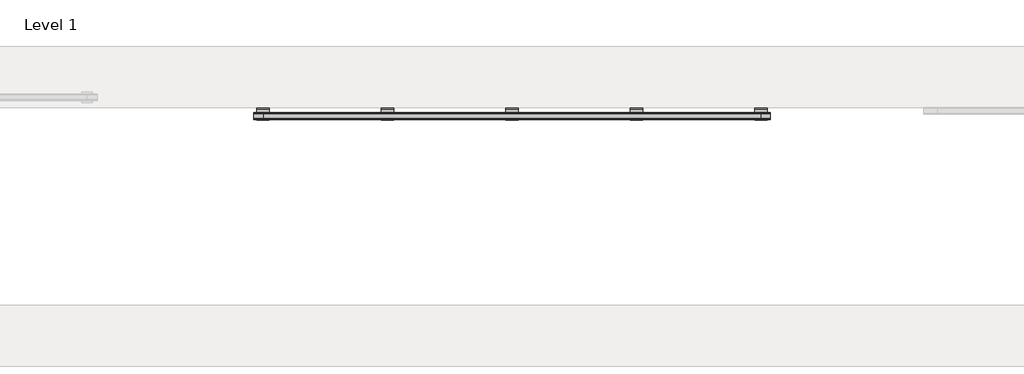
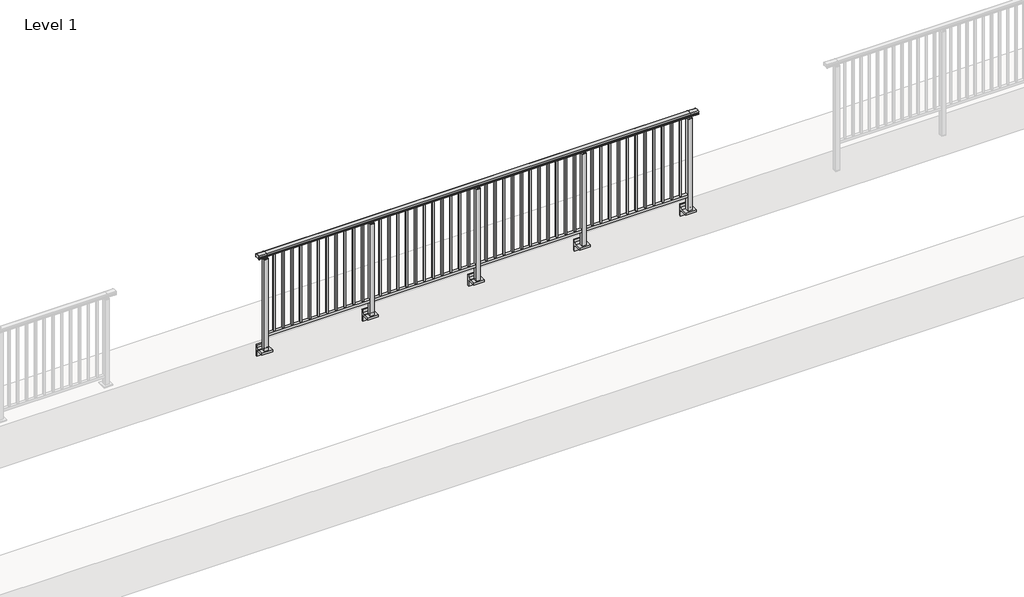
# One storey, part 28 of 64: 1 railing.
"""IFC4 building model written with IfcOpenShell, lengths in millimetres."""

from ifc_helpers import new_model, si_unit, point, frame, frame_2d, origin, place, context, project, spatial, polyline, circle_curve, trimmed, segment, composite_curve, outline, extrude, element, save
from ifc_brep_helpers import plane_surface, cylinder_surface, revolved_surface, advanced_brep

model = new_model("IFC4")

# Units and contexts
model_context = context("Model", 3, world=origin())
ifc_project = project(units=[si_unit("LENGTHUNIT", "METRE", prefix="MILLI")], contexts=[model_context])

# Site, building, storey
site = spatial("IfcSite", under=ifc_project)
building = spatial("IfcBuilding", under=site)
storey = spatial("IfcBuildingStorey", under=building, Name="Level 1", Elevation=0.0)

# Railing
placement = place(None, origin())
element("IfcRailing", 1, at=placement, inside=storey, context=model_context, shape_type="SolidModel", body=[
    advanced_brep(
    [(12910.0, 17342.8633756, 1095.6691182), (12910.0, 17347.6846828, 1081.1334092), (12910.0, 17346.7413744, 1069.2539035), (12910.0, 17348.6364177, 1061.4863007), (12910.0, 17346.9894799, 1060.384124), (12910.0, 17346.9894799, 1062.0), (12910.0, 17288.3798858, 1062.0), (12910.0, 17288.3798858, 1060.384124), (12910.0, 17286.732948, 1061.4863007), (12910.0, 17288.6279912, 1069.2539035), (12910.0, 17287.6846828, 1081.1334092), (12910.0, 17292.50599, 1095.6691182), (17890.0, 17342.8633756, 1095.6691182), (17890.0, 17292.50599, 1095.6691182), (17890.0, 17287.6846828, 1081.1334092), (17890.0, 17288.6279912, 1069.2539035), (17890.0, 17286.732948, 1061.4863007), (17890.0, 17288.3798858, 1060.384124), (17890.0, 17288.3798858, 1062.0), (17890.0, 17346.9894799, 1062.0), (17890.0, 17346.9894799, 1060.384124), (17890.0, 17348.6364177, 1061.4863007), (17890.0, 17346.7413744, 1069.2539035), (17890.0, 17347.6846828, 1081.1334092), (13000.0, 17342.8633756, 1095.6691182), (13000.0, 17347.6846828, 1081.1334092), (13000.0, 17346.7413744, 1069.2539035), (13000.0, 17348.6364177, 1061.4863007), (13000.0, 17346.9894799, 1060.384124), (13000.0, 17346.9894799, 1062.0), (13000.0, 17288.3798858, 1062.0), (13000.0, 17288.3798858, 1060.384124), (13000.0, 17286.732948, 1061.4863007), (13000.0, 17288.6279912, 1069.2539035), (13000.0, 17287.6846828, 1081.1334092), (13000.0, 17292.50599, 1095.6691182), (17800.0, 17342.8633756, 1095.6691182), (17800.0, 17347.6846828, 1081.1334092), (17800.0, 17346.7413744, 1069.2539035), (17800.0, 17348.6364177, 1061.4863007), (17800.0, 17346.9894799, 1060.384124), (17800.0, 17346.9894799, 1062.0), (17800.0, 17288.3798858, 1062.0), (17800.0, 17288.3798858, 1060.384124), (17800.0, 17286.732948, 1061.4863007), (17800.0, 17288.6279912, 1069.2539035), (17800.0, 17287.6846828, 1081.1334092), (17800.0, 17292.50599, 1095.6691182)],
    [
        (0, 1, circle_curve(frame((12910.0, 17339.6223845, 1086.526686), z_axis=(-1.0, 0.0, 0.0), x_axis=(0.0, -1.0, 0.0)), 9.6999015)),
        (1, 2, circle_curve(frame((12910.0, 17365.2252545, 1073.7633709), z_axis=(1.0, 0.0, 0.0), x_axis=(0.0, -1.0, 0.0)), 19.0260117)),
        (2, 3),
        (3, 4, circle_curve(frame((12910.0, 17347.7772073, 1060.9886194), z_axis=(-1.0, 0.0, 0.0), x_axis=(0.0, -1.0, 0.0)), 0.9929396)),
        (4, 5),
        (5, 6),
        (6, 7),
        (7, 8, circle_curve(frame((12910.0, 17287.5921584, 1060.9886194), z_axis=(-1.0, 0.0, 0.0), x_axis=(0.0, 1.0, 0.0)), 0.9929396)),
        (8, 9),
        (9, 10, circle_curve(frame((12910.0, 17270.1441111, 1073.7633709), z_axis=(1.0, 0.0, 0.0), x_axis=(0.0, 1.0, 0.0)), 19.0260117)),
        (10, 11, circle_curve(frame((12910.0, 17295.7469812, 1086.526686), z_axis=(-1.0, 0.0, 0.0), x_axis=(0.0, 1.0, 0.0)), 9.6999015)),
        (11, 0, circle_curve(frame((12910.0, 17317.6846828, 1024.6431628), z_axis=(-1.0, 0.0, 0.0), x_axis=(0.0, 1.0, 0.0)), 75.3568372)),
        (12, 13, circle_curve(frame((17890.0, 17317.6846828, 1024.6431628), z_axis=(1.0, 0.0, 0.0), x_axis=(0.0, 1.0, 0.0)), 75.3568372)),
        (13, 14, circle_curve(frame((17890.0, 17295.7469812, 1086.526686), z_axis=(1.0, 0.0, 0.0), x_axis=(0.0, 1.0, 0.0)), 9.6999015)),
        (14, 15, circle_curve(frame((17890.0, 17270.1441111, 1073.7633709), z_axis=(-1.0, 0.0, 0.0), x_axis=(0.0, 1.0, 0.0)), 19.0260117)),
        (15, 16),
        (16, 17, circle_curve(frame((17890.0, 17287.5921584, 1060.9886194), z_axis=(1.0, 0.0, 0.0), x_axis=(0.0, 1.0, 0.0)), 0.9929396)),
        (17, 18),
        (18, 19),
        (19, 20),
        (20, 21, circle_curve(frame((17890.0, 17347.7772073, 1060.9886194), z_axis=(1.0, 0.0, 0.0), x_axis=(0.0, -1.0, 0.0)), 0.9929396)),
        (21, 22),
        (22, 23, circle_curve(frame((17890.0, 17365.2252545, 1073.7633709), z_axis=(-1.0, 0.0, 0.0), x_axis=(0.0, -1.0, 0.0)), 19.0260117)),
        (23, 12, circle_curve(frame((17890.0, 17339.6223845, 1086.526686), z_axis=(1.0, 0.0, 0.0), x_axis=(0.0, -1.0, 0.0)), 9.6999015)),
        (0, 24),
        (24, 25, circle_curve(frame((13000.0, 17339.6223845, 1086.526686), z_axis=(-1.0, 0.0, 0.0), x_axis=(0.0, -1.0, 0.0)), 9.6999015)),
        (25, 1),
        (25, 26, circle_curve(frame((13000.0, 17365.2252545, 1073.7633709), z_axis=(1.0, 0.0, 0.0), x_axis=(0.0, -1.0, 0.0)), 19.0260117)),
        (26, 2),
        (26, 27),
        (27, 3),
        (27, 28, circle_curve(frame((13000.0, 17347.7772073, 1060.9886194), z_axis=(-1.0, 0.0, 0.0), x_axis=(0.0, -1.0, 0.0)), 0.9929396)),
        (28, 4),
        (28, 29),
        (29, 5),
        (29, 30),
        (30, 6),
        (30, 31),
        (31, 7),
        (31, 32, circle_curve(frame((13000.0, 17287.5921584, 1060.9886194), z_axis=(-1.0, 0.0, 0.0), x_axis=(0.0, 1.0, 0.0)), 0.9929396)),
        (32, 8),
        (32, 33),
        (33, 9),
        (33, 34, circle_curve(frame((13000.0, 17270.1441111, 1073.7633709), z_axis=(1.0, 0.0, 0.0), x_axis=(0.0, 1.0, 0.0)), 19.0260117)),
        (34, 10),
        (34, 35, circle_curve(frame((13000.0, 17295.7469812, 1086.526686), z_axis=(-1.0, 0.0, 0.0), x_axis=(0.0, 1.0, 0.0)), 9.6999015)),
        (35, 11),
        (35, 24, circle_curve(frame((13000.0, 17317.6846828, 1024.6431628), z_axis=(-1.0, 0.0, 0.0), x_axis=(0.0, 1.0, 0.0)), 75.3568372)),
        (24, 36),
        (36, 37, circle_curve(frame((17800.0, 17339.6223845, 1086.526686), z_axis=(-1.0, 0.0, 0.0), x_axis=(0.0, -1.0, 0.0)), 9.6999015)),
        (37, 25),
        (37, 38, circle_curve(frame((17800.0, 17365.2252545, 1073.7633709), z_axis=(1.0, 0.0, 0.0), x_axis=(0.0, -1.0, 0.0)), 19.0260117)),
        (38, 26),
        (38, 39),
        (39, 27),
        (39, 40, circle_curve(frame((17800.0, 17347.7772073, 1060.9886194), z_axis=(-1.0, 0.0, 0.0), x_axis=(0.0, -1.0, 0.0)), 0.9929396)),
        (40, 28),
        (40, 41),
        (41, 29),
        (41, 42),
        (42, 30),
        (42, 43),
        (43, 31),
        (43, 44, circle_curve(frame((17800.0, 17287.5921584, 1060.9886194), z_axis=(-1.0, 0.0, 0.0), x_axis=(0.0, 1.0, 0.0)), 0.9929396)),
        (44, 32),
        (44, 45),
        (45, 33),
        (45, 46, circle_curve(frame((17800.0, 17270.1441111, 1073.7633709), z_axis=(1.0, 0.0, 0.0), x_axis=(0.0, 1.0, 0.0)), 19.0260117)),
        (46, 34),
        (46, 47, circle_curve(frame((17800.0, 17295.7469812, 1086.526686), z_axis=(-1.0, 0.0, 0.0), x_axis=(0.0, 1.0, 0.0)), 9.6999015)),
        (47, 35),
        (47, 36, circle_curve(frame((17800.0, 17317.6846828, 1024.6431628), z_axis=(-1.0, 0.0, 0.0), x_axis=(0.0, 1.0, 0.0)), 75.3568372)),
        (36, 12),
        (23, 37),
        (22, 38),
        (21, 39),
        (20, 40),
        (19, 41),
        (18, 42),
        (17, 43),
        (16, 44),
        (15, 45),
        (14, 46),
        (13, 47),
    ],
    [
        plane_surface(frame((12910.0, 17317.6846828, 1100.0), z_axis=(-1.0, 0.0, 0.0), x_axis=(0.0, 1.0, 0.0))),
        plane_surface(frame((17890.0, 17317.6846828, 1100.0), z_axis=(1.0, 0.0, 0.0), x_axis=(0.0, 1.0, 0.0))),
        cylinder_surface(frame((12910.0, 17339.6223845, 1086.526686), z_axis=(-1.0, 0.0, 0.0), x_axis=(0.0, -1.0, 0.0)), 9.6999015),
        revolved_surface(polyline([(13000.0, 17346.1992428, 1073.7633709), (12910.0, 17346.1992428, 1073.7633709)]), (12910.0, 17365.2252545, 1073.7633709), (1.0, 0.0, 0.0)),
        plane_surface(frame((12910.0, 17346.7413744, 1069.2539035), z_axis=(0.0, 0.9715057689301543, 0.2370159086125439), x_axis=(1.0, 0.0, 0.0))),
        cylinder_surface(frame((12910.0, 17347.7772073, 1060.9886194), z_axis=(-1.0, 0.0, 0.0), x_axis=(0.0, -1.0, 0.0)), 0.9929396),
        plane_surface(frame((12910.0, 17346.9894799, 1060.384124), z_axis=(0.0, -1.0, 0.0), x_axis=(1.0, 0.0, 0.0))),
        plane_surface(frame((12910.0, 17346.9894799, 1062.0), z_axis=(0.0, 0.0, -1.0), x_axis=(1.0, 0.0, 0.0))),
        plane_surface(frame((12910.0, 17288.3798858, 1062.0), z_axis=(0.0, 1.0, 0.0), x_axis=(1.0, 0.0, 0.0))),
        cylinder_surface(frame((12910.0, 17287.5921584, 1060.9886194), z_axis=(-1.0, 0.0, 0.0), x_axis=(0.0, 1.0, 0.0)), 0.9929396),
        plane_surface(frame((12910.0, 17286.732948, 1061.4863007), z_axis=(0.0, -0.9715057689301543, 0.2370159086125439), x_axis=(1.0, 0.0, 0.0))),
        revolved_surface(polyline([(13000.0, 17289.1701228, 1073.7633709), (12910.0, 17289.1701228, 1073.7633709)]), (12910.0, 17270.1441111, 1073.7633709), (1.0, 0.0, 0.0)),
        cylinder_surface(frame((12910.0, 17295.7469812, 1086.526686), z_axis=(-1.0, 0.0, 0.0), x_axis=(0.0, 1.0, 0.0)), 9.6999015),
        cylinder_surface(frame((12910.0, 17317.6846828, 1024.6431628), z_axis=(-1.0, 0.0, 0.0), x_axis=(0.0, 1.0, 0.0)), 75.3568372),
        cylinder_surface(frame((13000.0, 17339.6223845, 1086.526686), z_axis=(-1.0, 0.0, 0.0), x_axis=(0.0, -1.0, 0.0)), 9.6999015),
        revolved_surface(polyline([(17800.0, 17346.1992428, 1073.7633709), (13000.0, 17346.1992428, 1073.7633709)]), (13000.0, 17365.2252545, 1073.7633709), (1.0, 0.0, 0.0)),
        plane_surface(frame((13000.0, 17346.7413744, 1069.2539035), z_axis=(0.0, 0.9715057689301543, 0.2370159086125439), x_axis=(1.0, 0.0, 0.0))),
        cylinder_surface(frame((13000.0, 17347.7772073, 1060.9886194), z_axis=(-1.0, 0.0, 0.0), x_axis=(0.0, -1.0, 0.0)), 0.9929396),
        plane_surface(frame((13000.0, 17346.9894799, 1060.384124), z_axis=(0.0, -1.0, 0.0), x_axis=(1.0, 0.0, 0.0))),
        plane_surface(frame((13000.0, 17346.9894799, 1062.0), z_axis=(0.0, 0.0, -1.0), x_axis=(1.0, 0.0, 0.0))),
        plane_surface(frame((13000.0, 17288.3798858, 1062.0), z_axis=(0.0, 1.0, 0.0), x_axis=(1.0, 0.0, 0.0))),
        cylinder_surface(frame((13000.0, 17287.5921584, 1060.9886194), z_axis=(-1.0, 0.0, 0.0), x_axis=(0.0, 1.0, 0.0)), 0.9929396),
        plane_surface(frame((13000.0, 17286.732948, 1061.4863007), z_axis=(0.0, -0.9715057689301543, 0.2370159086125439), x_axis=(1.0, 0.0, 0.0))),
        revolved_surface(polyline([(17800.0, 17289.1701228, 1073.7633709), (13000.0, 17289.1701228, 1073.7633709)]), (13000.0, 17270.1441111, 1073.7633709), (1.0, 0.0, 0.0)),
        cylinder_surface(frame((13000.0, 17295.7469812, 1086.526686), z_axis=(-1.0, 0.0, 0.0), x_axis=(0.0, 1.0, 0.0)), 9.6999015),
        cylinder_surface(frame((13000.0, 17317.6846828, 1024.6431628), z_axis=(-1.0, 0.0, 0.0), x_axis=(0.0, 1.0, 0.0)), 75.3568372),
        cylinder_surface(frame((17800.0, 17339.6223845, 1086.526686), z_axis=(-1.0, 0.0, 0.0), x_axis=(0.0, -1.0, 0.0)), 9.6999015),
        revolved_surface(polyline([(17890.0, 17346.1992428, 1073.7633709), (17800.0, 17346.1992428, 1073.7633709)]), (17800.0, 17365.2252545, 1073.7633709), (1.0, 0.0, 0.0)),
        plane_surface(frame((17800.0, 17346.7413744, 1069.2539035), z_axis=(0.0, 0.9715057689301543, 0.2370159086125439), x_axis=(1.0, 0.0, 0.0))),
        cylinder_surface(frame((17800.0, 17347.7772073, 1060.9886194), z_axis=(-1.0, 0.0, 0.0), x_axis=(0.0, -1.0, 0.0)), 0.9929396),
        plane_surface(frame((17800.0, 17346.9894799, 1060.384124), z_axis=(0.0, -1.0, 0.0), x_axis=(1.0, 0.0, 0.0))),
        plane_surface(frame((17800.0, 17346.9894799, 1062.0), z_axis=(0.0, 0.0, -1.0), x_axis=(1.0, 0.0, 0.0))),
        plane_surface(frame((17800.0, 17288.3798858, 1062.0), z_axis=(0.0, 1.0, 0.0), x_axis=(1.0, 0.0, 0.0))),
        cylinder_surface(frame((17800.0, 17287.5921584, 1060.9886194), z_axis=(-1.0, 0.0, 0.0), x_axis=(0.0, 1.0, 0.0)), 0.9929396),
        plane_surface(frame((17800.0, 17286.732948, 1061.4863007), z_axis=(0.0, -0.9715057689301543, 0.2370159086125439), x_axis=(1.0, 0.0, 0.0))),
        revolved_surface(polyline([(17890.0, 17289.1701228, 1073.7633709), (17800.0, 17289.1701228, 1073.7633709)]), (17800.0, 17270.1441111, 1073.7633709), (1.0, 0.0, 0.0)),
        cylinder_surface(frame((17800.0, 17295.7469812, 1086.526686), z_axis=(-1.0, 0.0, 0.0), x_axis=(0.0, 1.0, 0.0)), 9.6999015),
        cylinder_surface(frame((17800.0, 17317.6846828, 1024.6431628), z_axis=(-1.0, 0.0, 0.0), x_axis=(0.0, 1.0, 0.0)), 75.3568372),
    ],
    [
        (0, [[1, 2, 3, 4, 5, 6, 7, 8, 9, 10, 11, 12]]),
        (1, [[13, 14, 15, 16, 17, 18, 19, 20, 21, 22, 23, 24]]),
        (2, [[-1, 25, 26, 27]]),
        (3, [[-2, -27, 28, 29]]),
        (4, [[-3, -29, 30, 31]]),
        (5, [[-4, -31, 32, 33]]),
        (6, [[-5, -33, 34, 35]]),
        (7, [[-6, -35, 36, 37]]),
        (8, [[-7, -37, 38, 39]]),
        (9, [[-8, -39, 40, 41]]),
        (10, [[-9, -41, 42, 43]]),
        (11, [[-10, -43, 44, 45]]),
        (12, [[-11, -45, 46, 47]]),
        (13, [[-12, -47, 48, -25]]),
        (14, [[-26, 49, 50, 51]]),
        (15, [[-28, -51, 52, 53]]),
        (16, [[-30, -53, 54, 55]]),
        (17, [[-32, -55, 56, 57]]),
        (18, [[-34, -57, 58, 59]]),
        (19, [[-36, -59, 60, 61]]),
        (20, [[-38, -61, 62, 63]]),
        (21, [[-40, -63, 64, 65]]),
        (22, [[-42, -65, 66, 67]]),
        (23, [[-44, -67, 68, 69]]),
        (24, [[-46, -69, 70, 71]]),
        (25, [[-48, -71, 72, -49]]),
        (26, [[-50, 73, -24, 74]]),
        (27, [[-52, -74, -23, 75]]),
        (28, [[-54, -75, -22, 76]]),
        (29, [[-56, -76, -21, 77]]),
        (30, [[-58, -77, -20, 78]]),
        (31, [[-60, -78, -19, 79]]),
        (32, [[-62, -79, -18, 80]]),
        (33, [[-64, -80, -17, 81]]),
        (34, [[-66, -81, -16, 82]]),
        (35, [[-68, -82, -15, 83]]),
        (36, [[-70, -83, -14, 84]]),
        (37, [[-72, -84, -13, -73]]),
    ],
),
    extrude(outline(polyline([(13000.0, 17300.1846828), (13000.0, 17335.1846828), (17800.0, 17335.1846828), (17800.0, 17300.1846828), (13000.0, 17300.1846828)])), frame((0.0, 0.0, 95.0), z_axis=(0.0, 0.0, 1.0), x_axis=(1.0, 0.0, 0.0)), (0.0, 0.0, 1.0), 30.0),
    extrude(outline(polyline([(17708.5, 17309.1846828), (17691.5, 17309.1846828), (17691.5, 17326.1846828), (17708.5, 17326.1846828), (17708.5, 17309.1846828)])), frame((0.0, 0.0, 125.0), z_axis=(0.0, 0.0, 1.0), x_axis=(1.0, 0.0, 0.0)), (0.0, 0.0, 1.0), 930.0),
    extrude(outline(polyline([(17608.5, 17309.1846828), (17591.5, 17309.1846828), (17591.5, 17326.1846828), (17608.5, 17326.1846828), (17608.5, 17309.1846828)])), frame((0.0, 0.0, 125.0), z_axis=(0.0, 0.0, 1.0), x_axis=(1.0, 0.0, 0.0)), (0.0, 0.0, 1.0), 930.0),
    extrude(outline(polyline([(17508.5, 17309.1846828), (17491.5, 17309.1846828), (17491.5, 17326.1846828), (17508.5, 17326.1846828), (17508.5, 17309.1846828)])), frame((0.0, 0.0, 125.0), z_axis=(0.0, 0.0, 1.0), x_axis=(1.0, 0.0, 0.0)), (0.0, 0.0, 1.0), 930.0),
    extrude(outline(polyline([(17408.5, 17309.1846828), (17391.5, 17309.1846828), (17391.5, 17326.1846828), (17408.5, 17326.1846828), (17408.5, 17309.1846828)])), frame((0.0, 0.0, 125.0), z_axis=(0.0, 0.0, 1.0), x_axis=(1.0, 0.0, 0.0)), (0.0, 0.0, 1.0), 930.0),
    extrude(outline(polyline([(17308.5, 17309.1846828), (17291.5, 17309.1846828), (17291.5, 17326.1846828), (17308.5, 17326.1846828), (17308.5, 17309.1846828)])), frame((0.0, 0.0, 125.0), z_axis=(0.0, 0.0, 1.0), x_axis=(1.0, 0.0, 0.0)), (0.0, 0.0, 1.0), 930.0),
    extrude(outline(polyline([(17208.5, 17309.1846828), (17191.5, 17309.1846828), (17191.5, 17326.1846828), (17208.5, 17326.1846828), (17208.5, 17309.1846828)])), frame((0.0, 0.0, 125.0), z_axis=(0.0, 0.0, 1.0), x_axis=(1.0, 0.0, 0.0)), (0.0, 0.0, 1.0), 930.0),
    extrude(outline(polyline([(17108.5, 17309.1846828), (17091.5, 17309.1846828), (17091.5, 17326.1846828), (17108.5, 17326.1846828), (17108.5, 17309.1846828)])), frame((0.0, 0.0, 125.0), z_axis=(0.0, 0.0, 1.0), x_axis=(1.0, 0.0, 0.0)), (0.0, 0.0, 1.0), 930.0),
    extrude(outline(polyline([(17008.5, 17309.1846828), (16991.5, 17309.1846828), (16991.5, 17326.1846828), (17008.5, 17326.1846828), (17008.5, 17309.1846828)])), frame((0.0, 0.0, 125.0), z_axis=(0.0, 0.0, 1.0), x_axis=(1.0, 0.0, 0.0)), (0.0, 0.0, 1.0), 930.0),
    extrude(outline(polyline([(16908.5, 17309.1846828), (16891.5, 17309.1846828), (16891.5, 17326.1846828), (16908.5, 17326.1846828), (16908.5, 17309.1846828)])), frame((0.0, 0.0, 125.0), z_axis=(0.0, 0.0, 1.0), x_axis=(1.0, 0.0, 0.0)), (0.0, 0.0, 1.0), 930.0),
    extrude(outline(polyline([(16808.5, 17309.1846828), (16791.5, 17309.1846828), (16791.5, 17326.1846828), (16808.5, 17326.1846828), (16808.5, 17309.1846828)])), frame((0.0, 0.0, 125.0), z_axis=(0.0, 0.0, 1.0), x_axis=(1.0, 0.0, 0.0)), (0.0, 0.0, 1.0), 930.0),
    extrude(outline(polyline([(16708.5, 17309.1846828), (16691.5, 17309.1846828), (16691.5, 17326.1846828), (16708.5, 17326.1846828), (16708.5, 17309.1846828)])), frame((0.0, 0.0, 125.0), z_axis=(0.0, 0.0, 1.0), x_axis=(1.0, 0.0, 0.0)), (0.0, 0.0, 1.0), 930.0),
    extrude(outline(composite_curve([segment(polyline([(17350.1846828, -70.0), (17384.1846828, -63.0), (17384.1846828, -32.5), (17400.1846828, -32.5), (17400.1846828, -167.5), (17384.1846828, -167.5), (17384.1846828, -113.5)]), True, "CONTINUOUS"), segment(trimmed(circle_curve(frame_2d((17364.1846828, -113.5)), 20.0), [point((17384.1846828, -113.5))], [point((17364.1846828, -93.5))], True, "CARTESIAN"), True, "CONTINUOUS"), segment(polyline([(17364.1846828, -93.5), (17280.1846828, -93.5), (17280.1846828, -70.0), (17350.1846828, -70.0)]), True, "CONTINUOUS")], self_intersect=False)), frame((16540.0, 0.0, 0.0), z_axis=(1.0, 0.0, 0.0), x_axis=(0.0, 1.0, 0.0)), (0.0, 0.0, 1.0), 120.0),
    extrude(outline(polyline([(16622.5, 17340.1846828), (16622.5, 17295.1846828), (16577.5, 17295.1846828), (16577.5, 17340.1846828), (16622.5, 17340.1846828)])), frame((0.0, 0.0, -70.0), z_axis=(0.0, 0.0, 1.0), x_axis=(1.0, 0.0, 0.0)), (0.0, 0.0, 1.0), 1097.0),
    extrude(outline(polyline([(16610.0, 17327.6846828), (16610.0, 17307.6846828), (16590.0, 17307.6846828), (16590.0, 17327.6846828), (16610.0, 17327.6846828)])), frame((0.0, 0.0, 1035.0), z_axis=(0.0, 0.0, 1.0), x_axis=(1.0, 0.0, 0.0)), (0.0, 0.0, 1.0), 20.0),
    extrude(outline(polyline([(16622.5, 17340.1846828), (16622.5, 17295.1846828), (16577.5, 17295.1846828), (16577.5, 17340.1846828), (16622.5, 17340.1846828)])), frame((0.0, 0.0, 1027.0), z_axis=(0.0, 0.0, 1.0), x_axis=(1.0, 0.0, 0.0)), (0.0, 0.0, 1.0), 8.0),
    extrude(outline(polyline([(16508.5, 17309.1846828), (16491.5, 17309.1846828), (16491.5, 17326.1846828), (16508.5, 17326.1846828), (16508.5, 17309.1846828)])), frame((0.0, 0.0, 125.0), z_axis=(0.0, 0.0, 1.0), x_axis=(1.0, 0.0, 0.0)), (0.0, 0.0, 1.0), 930.0),
    extrude(outline(polyline([(16408.5, 17309.1846828), (16391.5, 17309.1846828), (16391.5, 17326.1846828), (16408.5, 17326.1846828), (16408.5, 17309.1846828)])), frame((0.0, 0.0, 125.0), z_axis=(0.0, 0.0, 1.0), x_axis=(1.0, 0.0, 0.0)), (0.0, 0.0, 1.0), 930.0),
    extrude(outline(polyline([(16308.5, 17309.1846828), (16291.5, 17309.1846828), (16291.5, 17326.1846828), (16308.5, 17326.1846828), (16308.5, 17309.1846828)])), frame((0.0, 0.0, 125.0), z_axis=(0.0, 0.0, 1.0), x_axis=(1.0, 0.0, 0.0)), (0.0, 0.0, 1.0), 930.0),
    extrude(outline(polyline([(16208.5, 17309.1846828), (16191.5, 17309.1846828), (16191.5, 17326.1846828), (16208.5, 17326.1846828), (16208.5, 17309.1846828)])), frame((0.0, 0.0, 125.0), z_axis=(0.0, 0.0, 1.0), x_axis=(1.0, 0.0, 0.0)), (0.0, 0.0, 1.0), 930.0),
    extrude(outline(polyline([(16108.5, 17309.1846828), (16091.5, 17309.1846828), (16091.5, 17326.1846828), (16108.5, 17326.1846828), (16108.5, 17309.1846828)])), frame((0.0, 0.0, 125.0), z_axis=(0.0, 0.0, 1.0), x_axis=(1.0, 0.0, 0.0)), (0.0, 0.0, 1.0), 930.0),
    extrude(outline(polyline([(16008.5, 17309.1846828), (15991.5, 17309.1846828), (15991.5, 17326.1846828), (16008.5, 17326.1846828), (16008.5, 17309.1846828)])), frame((0.0, 0.0, 125.0), z_axis=(0.0, 0.0, 1.0), x_axis=(1.0, 0.0, 0.0)), (0.0, 0.0, 1.0), 930.0),
    extrude(outline(polyline([(15908.5, 17309.1846828), (15891.5, 17309.1846828), (15891.5, 17326.1846828), (15908.5, 17326.1846828), (15908.5, 17309.1846828)])), frame((0.0, 0.0, 125.0), z_axis=(0.0, 0.0, 1.0), x_axis=(1.0, 0.0, 0.0)), (0.0, 0.0, 1.0), 930.0),
    extrude(outline(polyline([(15808.5, 17309.1846828), (15791.5, 17309.1846828), (15791.5, 17326.1846828), (15808.5, 17326.1846828), (15808.5, 17309.1846828)])), frame((0.0, 0.0, 125.0), z_axis=(0.0, 0.0, 1.0), x_axis=(1.0, 0.0, 0.0)), (0.0, 0.0, 1.0), 930.0),
    extrude(outline(polyline([(15708.5, 17309.1846828), (15691.5, 17309.1846828), (15691.5, 17326.1846828), (15708.5, 17326.1846828), (15708.5, 17309.1846828)])), frame((0.0, 0.0, 125.0), z_axis=(0.0, 0.0, 1.0), x_axis=(1.0, 0.0, 0.0)), (0.0, 0.0, 1.0), 930.0),
    extrude(outline(polyline([(15608.5, 17309.1846828), (15591.5, 17309.1846828), (15591.5, 17326.1846828), (15608.5, 17326.1846828), (15608.5, 17309.1846828)])), frame((0.0, 0.0, 125.0), z_axis=(0.0, 0.0, 1.0), x_axis=(1.0, 0.0, 0.0)), (0.0, 0.0, 1.0), 930.0),
    extrude(outline(polyline([(15508.5, 17309.1846828), (15491.5, 17309.1846828), (15491.5, 17326.1846828), (15508.5, 17326.1846828), (15508.5, 17309.1846828)])), frame((0.0, 0.0, 125.0), z_axis=(0.0, 0.0, 1.0), x_axis=(1.0, 0.0, 0.0)), (0.0, 0.0, 1.0), 930.0),
    extrude(outline(composite_curve([segment(polyline([(17350.1846828, -70.0), (17384.1846828, -63.0), (17384.1846828, -32.5), (17400.1846828, -32.5), (17400.1846828, -167.5), (17384.1846828, -167.5), (17384.1846828, -113.5)]), True, "CONTINUOUS"), segment(trimmed(circle_curve(frame_2d((17364.1846828, -113.5)), 20.0), [point((17384.1846828, -113.5))], [point((17364.1846828, -93.5))], True, "CARTESIAN"), True, "CONTINUOUS"), segment(polyline([(17364.1846828, -93.5), (17280.1846828, -93.5), (17280.1846828, -70.0), (17350.1846828, -70.0)]), True, "CONTINUOUS")], self_intersect=False)), frame((15340.0, 0.0, 0.0), z_axis=(1.0, 0.0, 0.0), x_axis=(0.0, 1.0, 0.0)), (0.0, 0.0, 1.0), 120.0),
    extrude(outline(polyline([(15422.5, 17340.1846828), (15422.5, 17295.1846828), (15377.5, 17295.1846828), (15377.5, 17340.1846828), (15422.5, 17340.1846828)])), frame((0.0, 0.0, -70.0), z_axis=(0.0, 0.0, 1.0), x_axis=(1.0, 0.0, 0.0)), (0.0, 0.0, 1.0), 1097.0),
    extrude(outline(polyline([(15410.0, 17327.6846828), (15410.0, 17307.6846828), (15390.0, 17307.6846828), (15390.0, 17327.6846828), (15410.0, 17327.6846828)])), frame((0.0, 0.0, 1035.0), z_axis=(0.0, 0.0, 1.0), x_axis=(1.0, 0.0, 0.0)), (0.0, 0.0, 1.0), 20.0),
    extrude(outline(polyline([(15422.5, 17340.1846828), (15422.5, 17295.1846828), (15377.5, 17295.1846828), (15377.5, 17340.1846828), (15422.5, 17340.1846828)])), frame((0.0, 0.0, 1027.0), z_axis=(0.0, 0.0, 1.0), x_axis=(1.0, 0.0, 0.0)), (0.0, 0.0, 1.0), 8.0),
    extrude(outline(polyline([(15308.5, 17309.1846828), (15291.5, 17309.1846828), (15291.5, 17326.1846828), (15308.5, 17326.1846828), (15308.5, 17309.1846828)])), frame((0.0, 0.0, 125.0), z_axis=(0.0, 0.0, 1.0), x_axis=(1.0, 0.0, 0.0)), (0.0, 0.0, 1.0), 930.0),
    extrude(outline(polyline([(15208.5, 17309.1846828), (15191.5, 17309.1846828), (15191.5, 17326.1846828), (15208.5, 17326.1846828), (15208.5, 17309.1846828)])), frame((0.0, 0.0, 125.0), z_axis=(0.0, 0.0, 1.0), x_axis=(1.0, 0.0, 0.0)), (0.0, 0.0, 1.0), 930.0),
    extrude(outline(polyline([(15108.5, 17309.1846828), (15091.5, 17309.1846828), (15091.5, 17326.1846828), (15108.5, 17326.1846828), (15108.5, 17309.1846828)])), frame((0.0, 0.0, 125.0), z_axis=(0.0, 0.0, 1.0), x_axis=(1.0, 0.0, 0.0)), (0.0, 0.0, 1.0), 930.0),
    extrude(outline(polyline([(15008.5, 17309.1846828), (14991.5, 17309.1846828), (14991.5, 17326.1846828), (15008.5, 17326.1846828), (15008.5, 17309.1846828)])), frame((0.0, 0.0, 125.0), z_axis=(0.0, 0.0, 1.0), x_axis=(1.0, 0.0, 0.0)), (0.0, 0.0, 1.0), 930.0),
    extrude(outline(polyline([(14908.5, 17309.1846828), (14891.5, 17309.1846828), (14891.5, 17326.1846828), (14908.5, 17326.1846828), (14908.5, 17309.1846828)])), frame((0.0, 0.0, 125.0), z_axis=(0.0, 0.0, 1.0), x_axis=(1.0, 0.0, 0.0)), (0.0, 0.0, 1.0), 930.0),
    extrude(outline(polyline([(14808.5, 17309.1846828), (14791.5, 17309.1846828), (14791.5, 17326.1846828), (14808.5, 17326.1846828), (14808.5, 17309.1846828)])), frame((0.0, 0.0, 125.0), z_axis=(0.0, 0.0, 1.0), x_axis=(1.0, 0.0, 0.0)), (0.0, 0.0, 1.0), 930.0),
    extrude(outline(polyline([(14708.5, 17309.1846828), (14691.5, 17309.1846828), (14691.5, 17326.1846828), (14708.5, 17326.1846828), (14708.5, 17309.1846828)])), frame((0.0, 0.0, 125.0), z_axis=(0.0, 0.0, 1.0), x_axis=(1.0, 0.0, 0.0)), (0.0, 0.0, 1.0), 930.0),
    extrude(outline(polyline([(14608.5, 17309.1846828), (14591.5, 17309.1846828), (14591.5, 17326.1846828), (14608.5, 17326.1846828), (14608.5, 17309.1846828)])), frame((0.0, 0.0, 125.0), z_axis=(0.0, 0.0, 1.0), x_axis=(1.0, 0.0, 0.0)), (0.0, 0.0, 1.0), 930.0),
    extrude(outline(polyline([(14508.5, 17309.1846828), (14491.5, 17309.1846828), (14491.5, 17326.1846828), (14508.5, 17326.1846828), (14508.5, 17309.1846828)])), frame((0.0, 0.0, 125.0), z_axis=(0.0, 0.0, 1.0), x_axis=(1.0, 0.0, 0.0)), (0.0, 0.0, 1.0), 930.0),
    extrude(outline(polyline([(14408.5, 17309.1846828), (14391.5, 17309.1846828), (14391.5, 17326.1846828), (14408.5, 17326.1846828), (14408.5, 17309.1846828)])), frame((0.0, 0.0, 125.0), z_axis=(0.0, 0.0, 1.0), x_axis=(1.0, 0.0, 0.0)), (0.0, 0.0, 1.0), 930.0),
    extrude(outline(polyline([(14308.5, 17309.1846828), (14291.5, 17309.1846828), (14291.5, 17326.1846828), (14308.5, 17326.1846828), (14308.5, 17309.1846828)])), frame((0.0, 0.0, 125.0), z_axis=(0.0, 0.0, 1.0), x_axis=(1.0, 0.0, 0.0)), (0.0, 0.0, 1.0), 930.0),
    extrude(outline(composite_curve([segment(polyline([(17350.1846828, -70.0), (17384.1846828, -63.0), (17384.1846828, -32.5), (17400.1846828, -32.5), (17400.1846828, -167.5), (17384.1846828, -167.5), (17384.1846828, -113.5)]), True, "CONTINUOUS"), segment(trimmed(circle_curve(frame_2d((17364.1846828, -113.5)), 20.0), [point((17384.1846828, -113.5))], [point((17364.1846828, -93.5))], True, "CARTESIAN"), True, "CONTINUOUS"), segment(polyline([(17364.1846828, -93.5), (17280.1846828, -93.5), (17280.1846828, -70.0), (17350.1846828, -70.0)]), True, "CONTINUOUS")], self_intersect=False)), frame((14140.0, 0.0, 0.0), z_axis=(1.0, 0.0, 0.0), x_axis=(0.0, 1.0, 0.0)), (0.0, 0.0, 1.0), 120.0),
    extrude(outline(polyline([(14222.5, 17340.1846828), (14222.5, 17295.1846828), (14177.5, 17295.1846828), (14177.5, 17340.1846828), (14222.5, 17340.1846828)])), frame((0.0, 0.0, -70.0), z_axis=(0.0, 0.0, 1.0), x_axis=(1.0, 0.0, 0.0)), (0.0, 0.0, 1.0), 1097.0),
    extrude(outline(polyline([(14210.0, 17327.6846828), (14210.0, 17307.6846828), (14190.0, 17307.6846828), (14190.0, 17327.6846828), (14210.0, 17327.6846828)])), frame((0.0, 0.0, 1035.0), z_axis=(0.0, 0.0, 1.0), x_axis=(1.0, 0.0, 0.0)), (0.0, 0.0, 1.0), 20.0),
    extrude(outline(polyline([(14222.5, 17340.1846828), (14222.5, 17295.1846828), (14177.5, 17295.1846828), (14177.5, 17340.1846828), (14222.5, 17340.1846828)])), frame((0.0, 0.0, 1027.0), z_axis=(0.0, 0.0, 1.0), x_axis=(1.0, 0.0, 0.0)), (0.0, 0.0, 1.0), 8.0),
    extrude(outline(polyline([(14108.5, 17309.1846828), (14091.5, 17309.1846828), (14091.5, 17326.1846828), (14108.5, 17326.1846828), (14108.5, 17309.1846828)])), frame((0.0, 0.0, 125.0), z_axis=(0.0, 0.0, 1.0), x_axis=(1.0, 0.0, 0.0)), (0.0, 0.0, 1.0), 930.0),
    extrude(outline(polyline([(14008.5, 17309.1846828), (13991.5, 17309.1846828), (13991.5, 17326.1846828), (14008.5, 17326.1846828), (14008.5, 17309.1846828)])), frame((0.0, 0.0, 125.0), z_axis=(0.0, 0.0, 1.0), x_axis=(1.0, 0.0, 0.0)), (0.0, 0.0, 1.0), 930.0),
    extrude(outline(polyline([(13908.5, 17309.1846828), (13891.5, 17309.1846828), (13891.5, 17326.1846828), (13908.5, 17326.1846828), (13908.5, 17309.1846828)])), frame((0.0, 0.0, 125.0), z_axis=(0.0, 0.0, 1.0), x_axis=(1.0, 0.0, 0.0)), (0.0, 0.0, 1.0), 930.0),
    extrude(outline(polyline([(13808.5, 17309.1846828), (13791.5, 17309.1846828), (13791.5, 17326.1846828), (13808.5, 17326.1846828), (13808.5, 17309.1846828)])), frame((0.0, 0.0, 125.0), z_axis=(0.0, 0.0, 1.0), x_axis=(1.0, 0.0, 0.0)), (0.0, 0.0, 1.0), 930.0),
    extrude(outline(polyline([(13708.5, 17309.1846828), (13691.5, 17309.1846828), (13691.5, 17326.1846828), (13708.5, 17326.1846828), (13708.5, 17309.1846828)])), frame((0.0, 0.0, 125.0), z_axis=(0.0, 0.0, 1.0), x_axis=(1.0, 0.0, 0.0)), (0.0, 0.0, 1.0), 930.0),
    extrude(outline(polyline([(13608.5, 17309.1846828), (13591.5, 17309.1846828), (13591.5, 17326.1846828), (13608.5, 17326.1846828), (13608.5, 17309.1846828)])), frame((0.0, 0.0, 125.0), z_axis=(0.0, 0.0, 1.0), x_axis=(1.0, 0.0, 0.0)), (0.0, 0.0, 1.0), 930.0),
    extrude(outline(polyline([(13508.5, 17309.1846828), (13491.5, 17309.1846828), (13491.5, 17326.1846828), (13508.5, 17326.1846828), (13508.5, 17309.1846828)])), frame((0.0, 0.0, 125.0), z_axis=(0.0, 0.0, 1.0), x_axis=(1.0, 0.0, 0.0)), (0.0, 0.0, 1.0), 930.0),
    extrude(outline(polyline([(13408.5, 17309.1846828), (13391.5, 17309.1846828), (13391.5, 17326.1846828), (13408.5, 17326.1846828), (13408.5, 17309.1846828)])), frame((0.0, 0.0, 125.0), z_axis=(0.0, 0.0, 1.0), x_axis=(1.0, 0.0, 0.0)), (0.0, 0.0, 1.0), 930.0),
    extrude(outline(polyline([(13308.5, 17309.1846828), (13291.5, 17309.1846828), (13291.5, 17326.1846828), (13308.5, 17326.1846828), (13308.5, 17309.1846828)])), frame((0.0, 0.0, 125.0), z_axis=(0.0, 0.0, 1.0), x_axis=(1.0, 0.0, 0.0)), (0.0, 0.0, 1.0), 930.0),
    extrude(outline(polyline([(13208.5, 17309.1846828), (13191.5, 17309.1846828), (13191.5, 17326.1846828), (13208.5, 17326.1846828), (13208.5, 17309.1846828)])), frame((0.0, 0.0, 125.0), z_axis=(0.0, 0.0, 1.0), x_axis=(1.0, 0.0, 0.0)), (0.0, 0.0, 1.0), 930.0),
    extrude(outline(polyline([(13108.5, 17309.1846828), (13091.5, 17309.1846828), (13091.5, 17326.1846828), (13108.5, 17326.1846828), (13108.5, 17309.1846828)])), frame((0.0, 0.0, 125.0), z_axis=(0.0, 0.0, 1.0), x_axis=(1.0, 0.0, 0.0)), (0.0, 0.0, 1.0), 930.0),
    extrude(outline(composite_curve([segment(polyline([(17350.1846828, -70.0), (17384.1846828, -63.0), (17384.1846828, -32.5), (17400.1846828, -32.5), (17400.1846828, -167.5), (17384.1846828, -167.5), (17384.1846828, -113.5)]), True, "CONTINUOUS"), segment(trimmed(circle_curve(frame_2d((17364.1846828, -113.5)), 20.0), [point((17384.1846828, -113.5))], [point((17364.1846828, -93.5))], True, "CARTESIAN"), True, "CONTINUOUS"), segment(polyline([(17364.1846828, -93.5), (17280.1846828, -93.5), (17280.1846828, -70.0), (17350.1846828, -70.0)]), True, "CONTINUOUS")], self_intersect=False)), frame((17740.0, 0.0, 0.0), z_axis=(1.0, 0.0, 0.0), x_axis=(0.0, 1.0, 0.0)), (0.0, 0.0, 1.0), 120.0),
    extrude(outline(polyline([(17822.5, 17340.1846828), (17822.5, 17295.1846828), (17777.5, 17295.1846828), (17777.5, 17340.1846828), (17822.5, 17340.1846828)])), frame((0.0, 0.0, -70.0), z_axis=(0.0, 0.0, 1.0), x_axis=(1.0, 0.0, 0.0)), (0.0, 0.0, 1.0), 1097.0),
    extrude(outline(polyline([(17810.0, 17327.6846828), (17810.0, 17307.6846828), (17790.0, 17307.6846828), (17790.0, 17327.6846828), (17810.0, 17327.6846828)])), frame((0.0, 0.0, 1035.0), z_axis=(0.0, 0.0, 1.0), x_axis=(1.0, 0.0, 0.0)), (0.0, 0.0, 1.0), 20.0),
    extrude(outline(polyline([(17822.5, 17340.1846828), (17822.5, 17295.1846828), (17777.5, 17295.1846828), (17777.5, 17340.1846828), (17822.5, 17340.1846828)])), frame((0.0, 0.0, 1027.0), z_axis=(0.0, 0.0, 1.0), x_axis=(1.0, 0.0, 0.0)), (0.0, 0.0, 1.0), 8.0),
    extrude(outline(composite_curve([segment(polyline([(17350.1846828, -70.0), (17384.1846828, -63.0), (17384.1846828, -32.5), (17400.1846828, -32.5), (17400.1846828, -167.5), (17384.1846828, -167.5), (17384.1846828, -113.5)]), True, "CONTINUOUS"), segment(trimmed(circle_curve(frame_2d((17364.1846828, -113.5)), 20.0), [point((17384.1846828, -113.5))], [point((17364.1846828, -93.5))], True, "CARTESIAN"), True, "CONTINUOUS"), segment(polyline([(17364.1846828, -93.5), (17280.1846828, -93.5), (17280.1846828, -70.0), (17350.1846828, -70.0)]), True, "CONTINUOUS")], self_intersect=False)), frame((12940.0, 0.0, 0.0), z_axis=(1.0, 0.0, 0.0), x_axis=(0.0, 1.0, 0.0)), (0.0, 0.0, 1.0), 120.0),
    extrude(outline(polyline([(13022.5, 17340.1846828), (13022.5, 17295.1846828), (12977.5, 17295.1846828), (12977.5, 17340.1846828), (13022.5, 17340.1846828)])), frame((0.0, 0.0, -70.0), z_axis=(0.0, 0.0, 1.0), x_axis=(1.0, 0.0, 0.0)), (0.0, 0.0, 1.0), 1097.0),
    extrude(outline(polyline([(13010.0, 17327.6846828), (13010.0, 17307.6846828), (12990.0, 17307.6846828), (12990.0, 17327.6846828), (13010.0, 17327.6846828)])), frame((0.0, 0.0, 1035.0), z_axis=(0.0, 0.0, 1.0), x_axis=(1.0, 0.0, 0.0)), (0.0, 0.0, 1.0), 20.0),
    extrude(outline(polyline([(13022.5, 17340.1846828), (13022.5, 17295.1846828), (12977.5, 17295.1846828), (12977.5, 17340.1846828), (13022.5, 17340.1846828)])), frame((0.0, 0.0, 1027.0), z_axis=(0.0, 0.0, 1.0), x_axis=(1.0, 0.0, 0.0)), (0.0, 0.0, 1.0), 8.0),
])

save(model, "model.ifc")
